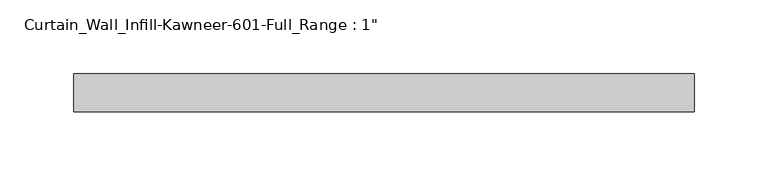
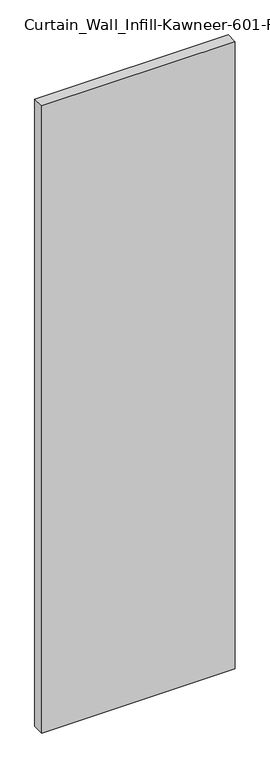
"""IFC4 building model written with IfcOpenShell, lengths in millimetres: plate geometry."""

from ifc_helpers import new_model, si_unit, origin, origin_with_axes, place, context, project, spatial, polyline, outline, extrude, source, transform, mapped, element, save


def plate_ce4f93d6(model_context):
    return source(origin(), model_context, "Body", "SweptSolid", [
        extrude(outline(polyline([(-209.55, 0.0), (-209.55, 25.4), (209.55, 25.4), (209.55, 0.0), (-209.55, 0.0)])), origin_with_axes(), (0.0, 0.0, 1.0), 1435.1),
    ])


if __name__ == "__main__":
    model = new_model("IFC4")
    model_context = context("Model", 3, world=origin())
    ifc_project = project(units=[si_unit("LENGTHUNIT", "METRE", prefix="MILLI")], contexts=[model_context])
    site = spatial("IfcSite", under=ifc_project)
    building = spatial("IfcBuilding", under=site)
    placement = place(None, origin())
    plate_shape = plate_ce4f93d6(model_context)
    element("IfcPlate", 1, ObjectType="Curtain_Wall_Infill-Kawneer-601-Full_Range : 1\"", at=placement, inside=building, context=model_context, shape_type="MappedRepresentation", body=[
        mapped(plate_shape, transform((0.0, 0.0, 0.0), x_axis=(1.0, 0.0, 0.0), y_axis=(0.0, 1.0, 0.0), z_axis=(0.0, 0.0, 1.0))),
    ])
    save(model, "model.ifc")
